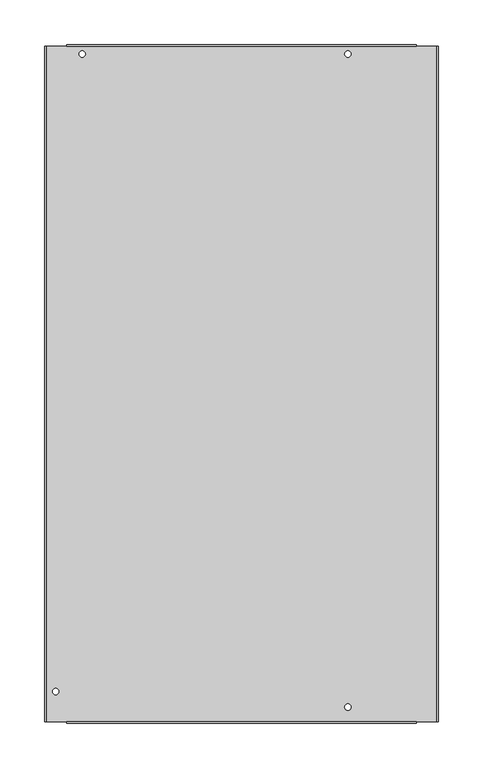
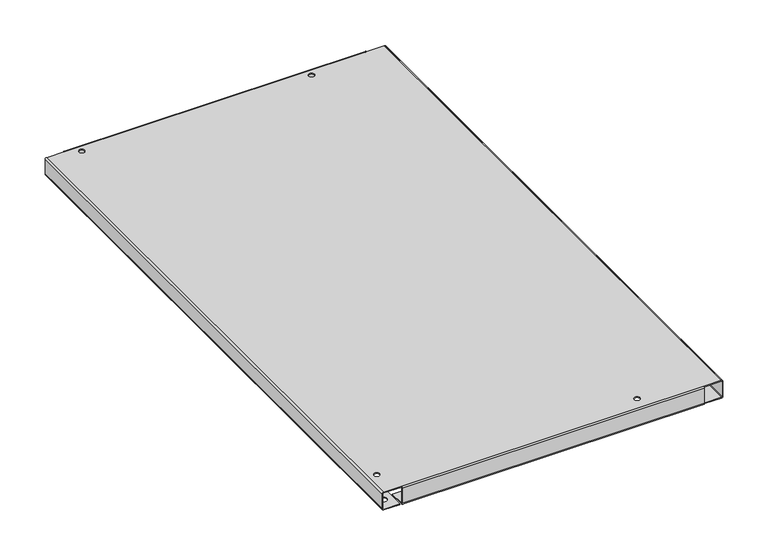
"""IFC4 building model written with IfcOpenShell, lengths in millimetres: proxy geometry."""

from ifc_helpers import new_model, si_unit, frame, origin, place, context, project, spatial, polyline, circle_curve, source, transform, mapped, element, save
from ifc_brep_helpers import plane_surface, cylinder_surface, revolved_surface, advanced_brep


def generic_models_6f1152c4(model_context):
    return source(origin(), model_context, "Body", "AdvancedBrep", [
        advanced_brep(
        [(-103.5664729, 10.1790579, -23.27656), (-103.5664729, 10.1790579, -22.42312), (-110.8054729, 10.1790579, -22.42312), (-110.8054729, 10.1790579, -23.27656), (-103.5664729, 10.1790579, 0.0), (-103.5664729, 10.1790579, 0.85344), (-110.8054729, 10.1790579, 0.85344), (-110.8054729, 10.1790579, 0.0), (-402.0291729, 743.1951179, -23.27656), (-402.0291729, 743.1951179, -22.42312), (-409.2681729, 743.1951179, -22.42312), (-409.2681729, 743.1951179, -23.27656), (-402.0291729, 743.1951179, 0.0), (-402.0291729, 743.1951179, 0.85344), (-409.2681729, 743.1951179, 0.85344), (-409.2681729, 743.1951179, 0.0), (-103.5791729, 743.1951179, -23.27656), (-103.5791729, 743.1951179, -22.42312), (-110.8181729, 743.1951179, -22.42312), (-110.8181729, 743.1951179, -23.27656), (-103.5791729, 743.1951179, 0.0), (-103.5791729, 743.1951179, 0.85344), (-110.8181729, 743.1951179, 0.85344), (-110.8181729, 743.1951179, 0.0), (-431.8209942, 27.6415579, -23.27656), (-431.8209942, 27.6415579, -22.42312), (-439.0599942, 27.6415579, -22.42312), (-439.0599942, 27.6415579, -23.27656), (-431.8209942, 27.6415579, 0.0), (-431.8209942, 27.6415579, 0.85344), (-439.0599942, 27.6415579, 0.85344), (-439.0599942, 27.6415579, 0.0), (-441.7854142, 742.8725379, -22.42312), (-441.7854142, 742.8725379, -23.27656), (-432.2604142, 742.8725379, -23.27656), (-432.2604142, 742.8725379, -22.42312), (-439.2454142, 394.5115379, -22.42312), (-439.2454142, 394.5115379, -23.27656), (-429.7204142, 394.5115379, -23.27656), (-429.7204142, 394.5115379, -22.42312), (-441.7854142, 10.5016379, -22.42312), (-441.7854142, 10.5016379, -23.27656), (-432.2604142, 10.5016379, -23.27656), (-432.2604142, 10.5016379, -22.42312), (-135.6116375, 743.7107379, -22.42312), (-135.6116375, 743.7107379, -23.27656), (-126.0866375, 743.7107379, -23.27656), (-126.0866375, 743.7107379, -22.42312), (-293.4138542, 7.3977579, -22.42312), (-293.4138542, 7.3977579, -23.27656), (-283.8888542, 7.3977579, -23.27656), (-283.8888542, 7.3977579, -22.42312), (-256.9927942, 743.7158179, -22.42312), (-256.9927942, 743.7158179, -23.27656), (-247.4677942, 743.7158179, -23.27656), (-247.4677942, 743.7158179, -22.42312), (-366.2026342, 741.1758179, -22.42312), (-366.2026342, 741.1758179, -23.27656), (-356.6776342, 741.1758179, -23.27656), (-356.6776342, 741.1758179, -22.42312), (-438.1786142, 691.6483579, -22.42312), (-438.1786142, 691.6483579, -23.27656), (-428.6536142, 691.6483579, -23.27656), (-428.6536142, 691.6483579, -22.42312), (-391.9099742, 7.0218379, -22.42312), (-391.9099742, 7.0218379, -23.27656), (-382.3849742, 7.0218379, -23.27656), (-382.3849742, 7.0218379, -22.42312), (-249.6699742, 7.0218379, -22.42312), (-249.6699742, 7.0218379, -23.27656), (-240.1449742, 7.0218379, -23.27656), (-240.1449742, 7.0218379, -22.42312), (-441.7854142, 342.0986379, -22.42312), (-441.7854142, 342.0986379, -23.27656), (-432.2604142, 342.0986379, -23.27656), (-432.2604142, 342.0986379, -22.42312), (-438.1786142, 564.6483579, -22.42312), (-438.1786142, 564.6483579, -23.27656), (-428.6536142, 564.6483579, -23.27656), (-428.6536142, 564.6483579, -22.42312), (-386.5327942, 743.7158179, -22.42312), (-386.5327942, 743.7158179, -23.27656), (-377.0077942, 743.7158179, -23.27656), (-377.0077942, 743.7158179, -22.42312), (-277.3026342, 741.1758179, -22.42312), (-277.3026342, 741.1758179, -23.27656), (-267.7776342, 741.1758179, -23.27656), (-267.7776342, 741.1758179, -22.42312), (-316.2138982, 11.7806878, -23.27656), (-306.6177782, 12.1566078, -23.27656), (-306.6177782, 12.1566078, -22.42312), (-316.2138982, 11.7806878, -22.42312), (-306.2449302, 2.638908, -23.27656), (-315.8410502, 2.262988, -23.27656), (-315.8410502, 2.262988, -22.42312), (-306.2449302, 2.638908, -22.42312), (-135.6116375, 10.5016379, -22.42312), (-135.6116375, 14.7281979, -22.42312), (-422.9614742, 14.7281979, -22.42312), (-422.9614742, -6.4249221, -22.42312), (-30.5162342, -6.4249221, -22.42312), (-30.5162342, 14.7281979, -22.42312), (-126.0866375, 14.7281979, -22.42312), (-126.0866375, 10.5016379, -22.42312), (-429.9345729, 377.4428881, -23.27656), (-432.4745729, 369.2615481, -23.27656), (-432.4745729, 369.2615481, -22.42312), (-429.9345729, 377.4428881, -22.42312), (-441.5712555, 372.0857278, -23.27656), (-439.0312555, 380.2670678, -23.27656), (-439.0312555, 380.2670678, -22.42312), (-441.5712555, 372.0857278, -22.42312), (-446.3294742, 752.1867179, -22.42312), (-446.3294742, -6.4249221, -22.42312), (-425.1763542, -6.4249221, -22.42312), (-425.1763542, 752.1867179, -22.42312), (-446.3294742, -6.4249221, -23.27656), (-446.3294742, 752.1867179, -23.27656), (-425.1763542, 752.1867179, -23.27656), (-425.1763542, -6.4249221, -23.27656), (-135.6116375, 10.5016379, -23.27656), (-135.6116375, 14.7281979, -23.27656), (-126.0866375, 14.7281979, -23.27656), (-126.0866375, 10.5016379, -23.27656), (-30.5162342, 14.7281979, -23.27656), (-30.5162342, -6.4249221, -23.27656), (-422.9614742, -6.4249221, -23.27656), (-422.9614742, 14.7281979, -23.27656), (-30.5162342, -8.1318021, -21.56968), (-422.9614742, -8.1318021, -21.56968), (-30.5162342, -7.2783621, -21.56968), (-422.9614742, -7.2783621, -21.56968), (-30.5162342, 752.1867179, -23.27656), (-422.9614742, 752.1867179, -23.27656), (-422.9614742, 753.8935979, -21.56968), (-30.5162342, 753.8935979, -21.56968), (-30.5162342, 752.1867179, -22.42312), (-30.5162342, 731.0335979, -22.42312), (-30.5162342, 731.0335979, -23.27656), (-422.9614742, 752.1867179, -22.42312), (-422.9614742, 731.0335979, -22.42312), (-422.9614742, 753.0401579, -21.56968), (-30.5162342, 753.0401579, -21.56968), (-422.9614742, 731.0335979, -23.27656), (-448.0363542, -6.4249221, -21.56968), (-448.0363542, 752.1867179, -21.56968), (-447.1829142, -6.4249221, -21.56968), (-447.1829142, 752.1867179, -21.56968), (-7.1482342, -6.4249221, -23.27656), (-7.1482342, 752.1867179, -23.27656), (-5.4413542, 752.1867179, -21.56968), (-5.4413542, -6.4249221, -21.56968), (-7.1482342, -6.4249221, -22.42312), (-28.3013542, -6.4249221, -22.42312), (-28.3013542, -6.4249221, -23.27656), (-7.1482342, 752.1867179, -22.42312), (-28.3013542, 752.1867179, -22.42312), (-6.2947942, 752.1867179, -21.56968), (-6.2947942, -6.4249221, -21.56968), (-28.3013542, 752.1867179, -23.27656), (-422.9614742, -8.1318021, -0.85344), (-422.9614742, -6.4249221, 0.85344), (-422.9614742, -6.4249221, 0.0), (-422.9614742, -7.2783621, -0.85344), (-30.5162342, -8.1318021, -0.85344), (-30.5162342, 753.8935979, -0.85344), (-30.5162342, 752.1867179, 0.85344), (-30.5162342, 752.1867179, 0.0), (-30.5162342, 753.0401579, -0.85344), (-422.9614742, 753.8935979, -0.85344), (-447.1829142, -6.4249221, -0.85344), (-446.3294742, -6.4249221, 0.0), (-446.3294742, -6.4249221, 0.85344), (-448.0363542, -6.4249221, -0.85344), (-447.1829142, 752.1867179, -0.85344), (-448.0363542, 752.1867179, -0.85344), (-446.3294742, 752.1867179, 0.85344), (-422.9614742, 752.1867179, 0.85344), (-422.9614742, 752.1867179, 0.0), (-446.3294742, 752.1867179, 0.0), (-6.2947942, 752.1867179, -0.85344), (-7.1482342, 752.1867179, 0.0), (-7.1482342, 752.1867179, 0.85344), (-5.4413542, 752.1867179, -0.85344), (-6.2947942, -6.4249221, -0.85344), (-5.4413542, -6.4249221, -0.85344), (-7.1482342, -6.4249221, 0.85344), (-30.5162342, -6.4249221, 0.85344), (-30.5162342, -6.4249221, 0.0), (-7.1482342, -6.4249221, 0.0), (-422.9614742, 753.0401579, -0.85344), (-30.5162342, -7.2783621, -0.85344)],
        [
            (0, 1),
            (1, 2, circle_curve(frame((-107.1859729, 10.1790579, -22.42312), z_axis=(0.0, 0.0, 1.0), x_axis=(1.0, 0.0, 0.0)), 3.6195)),
            (2, 3),
            (3, 0, circle_curve(frame((-107.1859729, 10.1790579, -23.27656), z_axis=(0.0, 0.0, -1.0), x_axis=(1.0, 0.0, 0.0)), 3.6195)),
            (4, 5),
            (5, 6, circle_curve(frame((-107.1859729, 10.1790579, 0.85344), z_axis=(0.0, 0.0, 1.0), x_axis=(1.0, 0.0, 0.0)), 3.6195)),
            (6, 7),
            (7, 4, circle_curve(frame((-107.1859729, 10.1790579, 0.0), z_axis=(0.0, 0.0, -1.0), x_axis=(1.0, 0.0, 0.0)), 3.6195)),
            (8, 9),
            (9, 10, circle_curve(frame((-405.6486729, 743.1951179, -22.42312), z_axis=(0.0, 0.0, 1.0), x_axis=(1.0, 0.0, 0.0)), 3.6195)),
            (10, 11),
            (11, 8, circle_curve(frame((-405.6486729, 743.1951179, -23.27656), z_axis=(0.0, 0.0, -1.0), x_axis=(1.0, 0.0, 0.0)), 3.6195)),
            (12, 13),
            (13, 14, circle_curve(frame((-405.6486729, 743.1951179, 0.85344), z_axis=(0.0, 0.0, 1.0), x_axis=(1.0, 0.0, 0.0)), 3.6195)),
            (14, 15),
            (15, 12, circle_curve(frame((-405.6486729, 743.1951179, 0.0), z_axis=(0.0, 0.0, -1.0), x_axis=(1.0, 0.0, 0.0)), 3.6195)),
            (16, 17),
            (17, 18, circle_curve(frame((-107.1986729, 743.1951179, -22.42312), z_axis=(0.0, 0.0, 1.0), x_axis=(1.0, 0.0, 0.0)), 3.6195)),
            (18, 19),
            (19, 16, circle_curve(frame((-107.1986729, 743.1951179, -23.27656), z_axis=(0.0, 0.0, -1.0), x_axis=(1.0, 0.0, 0.0)), 3.6195)),
            (20, 21),
            (21, 22, circle_curve(frame((-107.1986729, 743.1951179, 0.85344), z_axis=(0.0, 0.0, 1.0), x_axis=(1.0, 0.0, 0.0)), 3.6195)),
            (22, 23),
            (23, 20, circle_curve(frame((-107.1986729, 743.1951179, 0.0), z_axis=(0.0, 0.0, -1.0), x_axis=(1.0, 0.0, 0.0)), 3.6195)),
            (24, 25),
            (25, 26, circle_curve(frame((-435.4404942, 27.6415579, -22.42312), z_axis=(0.0, 0.0, 1.0), x_axis=(1.0, 0.0, 0.0)), 3.6195)),
            (26, 27),
            (27, 24, circle_curve(frame((-435.4404942, 27.6415579, -23.27656), z_axis=(0.0, 0.0, -1.0), x_axis=(1.0, 0.0, 0.0)), 3.6195)),
            (28, 29),
            (29, 30, circle_curve(frame((-435.4404942, 27.6415579, 0.85344), z_axis=(0.0, 0.0, 1.0), x_axis=(1.0, 0.0, 0.0)), 3.6195)),
            (30, 31),
            (31, 28, circle_curve(frame((-435.4404942, 27.6415579, 0.0), z_axis=(0.0, 0.0, -1.0), x_axis=(1.0, 0.0, 0.0)), 3.6195)),
            (32, 33),
            (33, 34, circle_curve(frame((-437.0229142, 742.8725379, -23.27656), z_axis=(0.0, 0.0, -1.0), x_axis=(-1.0, 0.0, 0.0)), 4.7625)),
            (34, 35),
            (35, 32, circle_curve(frame((-437.0229142, 742.8725379, -22.42312), z_axis=(0.0, 0.0, 1.0), x_axis=(-1.0, 0.0, 0.0)), 4.7625)),
            (36, 37),
            (37, 38, circle_curve(frame((-434.4829142, 394.5115379, -23.27656), z_axis=(0.0, 0.0, -1.0), x_axis=(-1.0, 0.0, 0.0)), 4.7625)),
            (38, 39),
            (39, 36, circle_curve(frame((-434.4829142, 394.5115379, -22.42312), z_axis=(0.0, 0.0, 1.0), x_axis=(-1.0, 0.0, 0.0)), 4.7625)),
            (40, 41),
            (41, 42, circle_curve(frame((-437.0229142, 10.5016379, -23.27656), z_axis=(0.0, 0.0, -1.0), x_axis=(-1.0, 0.0, 0.0)), 4.7625)),
            (42, 43),
            (43, 40, circle_curve(frame((-437.0229142, 10.5016379, -22.42312), z_axis=(0.0, 0.0, 1.0), x_axis=(-1.0, 0.0, 0.0)), 4.7625)),
            (44, 45),
            (45, 46, circle_curve(frame((-130.8491375, 743.7107379, -23.27656), z_axis=(0.0, 0.0, -1.0), x_axis=(-1.0, 0.0, 0.0)), 4.7625)),
            (46, 47),
            (47, 44, circle_curve(frame((-130.8491375, 743.7107379, -22.42312), z_axis=(0.0, 0.0, 1.0), x_axis=(-1.0, 0.0, 0.0)), 4.7625)),
            (48, 49),
            (49, 50, circle_curve(frame((-288.6513542, 7.3977579, -23.27656), z_axis=(0.0, 0.0, -1.0), x_axis=(-1.0, 0.0, 0.0)), 4.7625)),
            (50, 51),
            (51, 48, circle_curve(frame((-288.6513542, 7.3977579, -22.42312), z_axis=(0.0, 0.0, 1.0), x_axis=(-1.0, 0.0, 0.0)), 4.7625)),
            (52, 53),
            (53, 54, circle_curve(frame((-252.2302942, 743.7158179, -23.27656), z_axis=(0.0, 0.0, -1.0), x_axis=(-1.0, 0.0, 0.0)), 4.7625)),
            (54, 55),
            (55, 52, circle_curve(frame((-252.2302942, 743.7158179, -22.42312), z_axis=(0.0, 0.0, 1.0), x_axis=(-1.0, 0.0, 0.0)), 4.7625)),
            (56, 57),
            (57, 58, circle_curve(frame((-361.4401342, 741.1758179, -23.27656), z_axis=(0.0, 0.0, -1.0), x_axis=(-1.0, 0.0, 0.0)), 4.7625)),
            (58, 59),
            (59, 56, circle_curve(frame((-361.4401342, 741.1758179, -22.42312), z_axis=(0.0, 0.0, 1.0), x_axis=(-1.0, 0.0, 0.0)), 4.7625)),
            (60, 61),
            (61, 62, circle_curve(frame((-433.4161142, 691.6483579, -23.27656), z_axis=(0.0, 0.0, -1.0), x_axis=(-1.0, 0.0, 0.0)), 4.7625)),
            (62, 63),
            (63, 60, circle_curve(frame((-433.4161142, 691.6483579, -22.42312), z_axis=(0.0, 0.0, 1.0), x_axis=(-1.0, 0.0, 0.0)), 4.7625)),
            (64, 65),
            (65, 66, circle_curve(frame((-387.1474742, 7.0218379, -23.27656), z_axis=(0.0, 0.0, -1.0), x_axis=(-1.0, 0.0, 0.0)), 4.7625)),
            (66, 67),
            (67, 64, circle_curve(frame((-387.1474742, 7.0218379, -22.42312), z_axis=(0.0, 0.0, 1.0), x_axis=(-1.0, 0.0, 0.0)), 4.7625)),
            (68, 69),
            (69, 70, circle_curve(frame((-244.9074742, 7.0218379, -23.27656), z_axis=(0.0, 0.0, -1.0), x_axis=(-1.0, 0.0, 0.0)), 4.7625)),
            (70, 71),
            (71, 68, circle_curve(frame((-244.9074742, 7.0218379, -22.42312), z_axis=(0.0, 0.0, 1.0), x_axis=(-1.0, 0.0, 0.0)), 4.7625)),
            (72, 73),
            (73, 74, circle_curve(frame((-437.0229142, 342.0986379, -23.27656), z_axis=(0.0, 0.0, -1.0), x_axis=(-1.0, 0.0, 0.0)), 4.7625)),
            (74, 75),
            (75, 72, circle_curve(frame((-437.0229142, 342.0986379, -22.42312), z_axis=(0.0, 0.0, 1.0), x_axis=(-1.0, 0.0, 0.0)), 4.7625)),
            (76, 77),
            (77, 78, circle_curve(frame((-433.4161142, 564.6483579, -23.27656), z_axis=(0.0, 0.0, -1.0), x_axis=(-1.0, 0.0, 0.0)), 4.7625)),
            (78, 79),
            (79, 76, circle_curve(frame((-433.4161142, 564.6483579, -22.42312), z_axis=(0.0, 0.0, 1.0), x_axis=(-1.0, 0.0, 0.0)), 4.7625)),
            (80, 81),
            (81, 82, circle_curve(frame((-381.7702942, 743.7158179, -23.27656), z_axis=(0.0, 0.0, -1.0), x_axis=(-1.0, 0.0, 0.0)), 4.7625)),
            (82, 83),
            (83, 80, circle_curve(frame((-381.7702942, 743.7158179, -22.42312), z_axis=(0.0, 0.0, 1.0), x_axis=(-1.0, 0.0, 0.0)), 4.7625)),
            (84, 85),
            (85, 86, circle_curve(frame((-272.5401342, 741.1758179, -23.27656), z_axis=(0.0, 0.0, -1.0), x_axis=(-1.0, 0.0, 0.0)), 4.7625)),
            (86, 87),
            (87, 84, circle_curve(frame((-272.5401342, 741.1758179, -22.42312), z_axis=(0.0, 0.0, 1.0), x_axis=(-1.0, 0.0, 0.0)), 4.7625)),
            (88, 89),
            (89, 90),
            (90, 91),
            (91, 88),
            (92, 93),
            (93, 94),
            (94, 95),
            (95, 92),
            (96, 97),
            (97, 98),
            (98, 99),
            (99, 100),
            (100, 101),
            (101, 102),
            (102, 103),
            (103, 96, circle_curve(frame((-130.8491375, 10.5016379, -22.42312), z_axis=(0.0, 0.0, -1.0), x_axis=(-1.0, 0.0, 0.0)), 4.7625)),
            (1, 2, circle_curve(frame((-107.1859729, 10.1790579, -22.42312), z_axis=(0.0, 0.0, -1.0), x_axis=(1.0, 0.0, 0.0)), 3.6195)),
            (51, 48, circle_curve(frame((-288.6513542, 7.3977579, -22.42312), z_axis=(0.0, 0.0, -1.0), x_axis=(-1.0, 0.0, 0.0)), 4.7625)),
            (67, 64, circle_curve(frame((-387.1474742, 7.0218379, -22.42312), z_axis=(0.0, 0.0, -1.0), x_axis=(-1.0, 0.0, 0.0)), 4.7625)),
            (71, 68, circle_curve(frame((-244.9074742, 7.0218379, -22.42312), z_axis=(0.0, 0.0, -1.0), x_axis=(-1.0, 0.0, 0.0)), 4.7625)),
            (90, 95, circle_curve(frame((-306.4313542, 7.3977579, -22.42312), z_axis=(0.0, 0.0, -1.0), x_axis=(0.9992335743634033, 0.039144142153545815, 0.0)), 4.7625)),
            (94, 91, circle_curve(frame((-316.0274742, 7.0218379, -22.42312), z_axis=(0.0, 0.0, -1.0), x_axis=(-1.0, 0.0, 0.0)), 4.7625)),
            (89, 92, circle_curve(frame((-306.4313542, 7.3977579, -23.27656), z_axis=(0.0, 0.0, -1.0), x_axis=(0.9992335743634033, 0.039144142153545815, 0.0)), 4.7625)),
            (104, 105),
            (105, 106),
            (106, 107),
            (107, 104),
            (108, 109),
            (109, 110),
            (110, 111),
            (111, 108),
            (112, 113),
            (113, 114),
            (114, 115),
            (115, 112),
            (25, 26, circle_curve(frame((-435.4404942, 27.6415579, -22.42312), z_axis=(0.0, 0.0, -1.0), x_axis=(1.0, 0.0, 0.0)), 3.6195)),
            (35, 32, circle_curve(frame((-437.0229142, 742.8725379, -22.42312), z_axis=(0.0, 0.0, -1.0), x_axis=(-1.0, 0.0, 0.0)), 4.7625)),
            (39, 36, circle_curve(frame((-434.4829142, 394.5115379, -22.42312), z_axis=(0.0, 0.0, -1.0), x_axis=(-1.0, 0.0, 0.0)), 4.7625)),
            (43, 40, circle_curve(frame((-437.0229142, 10.5016379, -22.42312), z_axis=(0.0, 0.0, -1.0), x_axis=(-1.0, 0.0, 0.0)), 4.7625)),
            (63, 60, circle_curve(frame((-433.4161142, 691.6483579, -22.42312), z_axis=(0.0, 0.0, -1.0), x_axis=(-1.0, 0.0, 0.0)), 4.7625)),
            (75, 72, circle_curve(frame((-437.0229142, 342.0986379, -22.42312), z_axis=(0.0, 0.0, -1.0), x_axis=(-1.0, 0.0, 0.0)), 4.7625)),
            (79, 76, circle_curve(frame((-433.4161142, 564.6483579, -22.42312), z_axis=(0.0, 0.0, -1.0), x_axis=(-1.0, 0.0, 0.0)), 4.7625)),
            (106, 111, circle_curve(frame((-437.0229142, 370.6736379, -22.42312), z_axis=(0.0, 0.0, -1.0), x_axis=(-1.0, 0.0, 0.0)), 4.7625)),
            (110, 107, circle_curve(frame((-434.4829142, 378.8549779, -22.42312), z_axis=(0.0, 0.0, -1.0), x_axis=(0.2965017989269343, 0.9550322943404018, 0.0)), 4.7625)),
            (116, 117),
            (117, 118),
            (118, 119),
            (119, 116),
            (104, 109, circle_curve(frame((-434.4829142, 378.8549779, -23.27656), z_axis=(0.0, 0.0, 1.0), x_axis=(0.2965017989269343, 0.9550322943404018, 0.0)), 4.7625)),
            (108, 105, circle_curve(frame((-437.0229142, 370.6736379, -23.27656), z_axis=(0.0, 0.0, 1.0), x_axis=(-1.0, 0.0, 0.0)), 4.7625)),
            (77, 78, circle_curve(frame((-433.4161142, 564.6483579, -23.27656), z_axis=(0.0, 0.0, 1.0), x_axis=(-1.0, 0.0, 0.0)), 4.7625)),
            (73, 74, circle_curve(frame((-437.0229142, 342.0986379, -23.27656), z_axis=(0.0, 0.0, 1.0), x_axis=(-1.0, 0.0, 0.0)), 4.7625)),
            (61, 62, circle_curve(frame((-433.4161142, 691.6483579, -23.27656), z_axis=(0.0, 0.0, 1.0), x_axis=(-1.0, 0.0, 0.0)), 4.7625)),
            (41, 42, circle_curve(frame((-437.0229142, 10.5016379, -23.27656), z_axis=(0.0, 0.0, 1.0), x_axis=(-1.0, 0.0, 0.0)), 4.7625)),
            (37, 38, circle_curve(frame((-434.4829142, 394.5115379, -23.27656), z_axis=(0.0, 0.0, 1.0), x_axis=(-1.0, 0.0, 0.0)), 4.7625)),
            (33, 34, circle_curve(frame((-437.0229142, 742.8725379, -23.27656), z_axis=(0.0, 0.0, 1.0), x_axis=(-1.0, 0.0, 0.0)), 4.7625)),
            (27, 24, circle_curve(frame((-435.4404942, 27.6415579, -23.27656), z_axis=(0.0, 0.0, 1.0), x_axis=(1.0, 0.0, 0.0)), 3.6195)),
            (120, 121),
            (121, 97),
            (96, 120),
            (122, 123),
            (123, 103),
            (102, 122),
            (120, 123, circle_curve(frame((-130.8491375, 10.5016379, -23.27656), z_axis=(0.0, 0.0, 1.0), x_axis=(-1.0, 0.0, 0.0)), 4.7625)),
            (122, 124),
            (124, 125),
            (125, 126),
            (126, 127),
            (127, 121),
            (88, 93, circle_curve(frame((-316.0274742, 7.0218379, -23.27656), z_axis=(0.0, 0.0, 1.0), x_axis=(-1.0, 0.0, 0.0)), 4.7625)),
            (3, 0, circle_curve(frame((-107.1859729, 10.1790579, -23.27656), z_axis=(0.0, 0.0, 1.0), x_axis=(1.0, 0.0, 0.0)), 3.6195)),
            (49, 50, circle_curve(frame((-288.6513542, 7.3977579, -23.27656), z_axis=(0.0, 0.0, 1.0), x_axis=(-1.0, 0.0, 0.0)), 4.7625)),
            (65, 66, circle_curve(frame((-387.1474742, 7.0218379, -23.27656), z_axis=(0.0, 0.0, 1.0), x_axis=(-1.0, 0.0, 0.0)), 4.7625)),
            (69, 70, circle_curve(frame((-244.9074742, 7.0218379, -23.27656), z_axis=(0.0, 0.0, 1.0), x_axis=(-1.0, 0.0, 0.0)), 4.7625)),
            (84, 87, circle_curve(frame((-272.5401342, 741.1758179, -22.42312), z_axis=(0.0, 0.0, 1.0), x_axis=(-1.0, 0.0, 0.0)), 4.7625)),
            (86, 85, circle_curve(frame((-272.5401342, 741.1758179, -23.27656), z_axis=(0.0, 0.0, -1.0), x_axis=(-1.0, 0.0, 0.0)), 4.7625)),
            (80, 83, circle_curve(frame((-381.7702942, 743.7158179, -22.42312), z_axis=(0.0, 0.0, 1.0), x_axis=(-1.0, 0.0, 0.0)), 4.7625)),
            (82, 81, circle_curve(frame((-381.7702942, 743.7158179, -23.27656), z_axis=(0.0, 0.0, -1.0), x_axis=(-1.0, 0.0, 0.0)), 4.7625)),
            (56, 59, circle_curve(frame((-361.4401342, 741.1758179, -22.42312), z_axis=(0.0, 0.0, 1.0), x_axis=(-1.0, 0.0, 0.0)), 4.7625)),
            (58, 57, circle_curve(frame((-361.4401342, 741.1758179, -23.27656), z_axis=(0.0, 0.0, -1.0), x_axis=(-1.0, 0.0, 0.0)), 4.7625)),
            (52, 55, circle_curve(frame((-252.2302942, 743.7158179, -22.42312), z_axis=(0.0, 0.0, 1.0), x_axis=(-1.0, 0.0, 0.0)), 4.7625)),
            (54, 53, circle_curve(frame((-252.2302942, 743.7158179, -23.27656), z_axis=(0.0, 0.0, -1.0), x_axis=(-1.0, 0.0, 0.0)), 4.7625)),
            (44, 47, circle_curve(frame((-130.8491375, 743.7107379, -22.42312), z_axis=(0.0, 0.0, 1.0), x_axis=(-1.0, 0.0, 0.0)), 4.7625)),
            (46, 45, circle_curve(frame((-130.8491375, 743.7107379, -23.27656), z_axis=(0.0, 0.0, -1.0), x_axis=(-1.0, 0.0, 0.0)), 4.7625)),
            (101, 124),
            (28, 31, circle_curve(frame((-435.4404942, 27.6415579, 0.0), z_axis=(0.0, 0.0, -1.0), x_axis=(1.0, 0.0, 0.0)), 3.6195)),
            (30, 29, circle_curve(frame((-435.4404942, 27.6415579, 0.85344), z_axis=(0.0, 0.0, 1.0), x_axis=(1.0, 0.0, 0.0)), 3.6195)),
            (20, 23, circle_curve(frame((-107.1986729, 743.1951179, 0.0), z_axis=(0.0, 0.0, -1.0), x_axis=(1.0, 0.0, 0.0)), 3.6195)),
            (22, 21, circle_curve(frame((-107.1986729, 743.1951179, 0.85344), z_axis=(0.0, 0.0, 1.0), x_axis=(1.0, 0.0, 0.0)), 3.6195)),
            (16, 19, circle_curve(frame((-107.1986729, 743.1951179, -23.27656), z_axis=(0.0, 0.0, -1.0), x_axis=(1.0, 0.0, 0.0)), 3.6195)),
            (18, 17, circle_curve(frame((-107.1986729, 743.1951179, -22.42312), z_axis=(0.0, 0.0, 1.0), x_axis=(1.0, 0.0, 0.0)), 3.6195)),
            (12, 15, circle_curve(frame((-405.6486729, 743.1951179, 0.0), z_axis=(0.0, 0.0, -1.0), x_axis=(1.0, 0.0, 0.0)), 3.6195)),
            (14, 13, circle_curve(frame((-405.6486729, 743.1951179, 0.85344), z_axis=(0.0, 0.0, 1.0), x_axis=(1.0, 0.0, 0.0)), 3.6195)),
            (8, 11, circle_curve(frame((-405.6486729, 743.1951179, -23.27656), z_axis=(0.0, 0.0, -1.0), x_axis=(1.0, 0.0, 0.0)), 3.6195)),
            (10, 9, circle_curve(frame((-405.6486729, 743.1951179, -22.42312), z_axis=(0.0, 0.0, 1.0), x_axis=(1.0, 0.0, 0.0)), 3.6195)),
            (4, 7, circle_curve(frame((-107.1859729, 10.1790579, 0.0), z_axis=(0.0, 0.0, -1.0), x_axis=(1.0, 0.0, 0.0)), 3.6195)),
            (6, 5, circle_curve(frame((-107.1859729, 10.1790579, 0.85344), z_axis=(0.0, 0.0, 1.0), x_axis=(1.0, 0.0, 0.0)), 3.6195)),
            (125, 128, circle_curve(frame((-30.5162342, -6.4249221, -21.56968), z_axis=(-1.0, 0.0, 0.0), x_axis=(0.0, -1.0, 0.0)), 1.70688)),
            (128, 129),
            (129, 126, circle_curve(frame((-422.9614742, -6.4249221, -21.56968), z_axis=(1.0, 0.0, 0.0), x_axis=(0.0, -1.0, 0.0)), 1.70688)),
            (126, 99),
            (98, 127),
            (125, 100),
            (100, 130, circle_curve(frame((-30.5162342, -6.4249221, -21.56968), z_axis=(-1.0, 0.0, 0.0), x_axis=(0.0, -1.0, 0.0)), 0.85344)),
            (130, 128),
            (129, 131),
            (131, 99, circle_curve(frame((-422.9614742, -6.4249221, -21.56968), z_axis=(1.0, 0.0, 0.0), x_axis=(0.0, -1.0, 0.0)), 0.85344)),
            (131, 130),
            (132, 133),
            (133, 134, circle_curve(frame((-422.9614742, 752.1867179, -21.56968), z_axis=(1.0, 0.0, 0.0), x_axis=(0.0, 1.0, 0.0)), 1.70688)),
            (134, 135),
            (135, 132, circle_curve(frame((-30.5162342, 752.1867179, -21.56968), z_axis=(-1.0, 0.0, 0.0), x_axis=(0.0, 1.0, 0.0)), 1.70688)),
            (132, 136),
            (136, 137),
            (137, 138),
            (138, 132),
            (136, 139),
            (139, 140),
            (140, 137),
            (133, 139),
            (139, 141, circle_curve(frame((-422.9614742, 752.1867179, -21.56968), z_axis=(1.0, 0.0, 0.0), x_axis=(0.0, 1.0, 0.0)), 0.85344)),
            (141, 134),
            (135, 142),
            (142, 136, circle_curve(frame((-30.5162342, 752.1867179, -21.56968), z_axis=(-1.0, 0.0, 0.0), x_axis=(0.0, 1.0, 0.0)), 0.85344)),
            (133, 143),
            (143, 140),
            (143, 138),
            (142, 141),
            (116, 144, circle_curve(frame((-446.3294742, -6.4249221, -21.56968), z_axis=(0.0, 1.0, 0.0), x_axis=(-1.0, 0.0, 0.0)), 1.70688)),
            (144, 145),
            (145, 117, circle_curve(frame((-446.3294742, 752.1867179, -21.56968), z_axis=(0.0, -1.0, 0.0), x_axis=(-1.0, 0.0, 0.0)), 1.70688)),
            (117, 112),
            (115, 118),
            (116, 113),
            (113, 146, circle_curve(frame((-446.3294742, -6.4249221, -21.56968), z_axis=(0.0, 1.0, 0.0), x_axis=(-1.0, 0.0, 0.0)), 0.85344)),
            (146, 144),
            (145, 147),
            (147, 112, circle_curve(frame((-446.3294742, 752.1867179, -21.56968), z_axis=(0.0, -1.0, 0.0), x_axis=(-1.0, 0.0, 0.0)), 0.85344)),
            (119, 114),
            (147, 146),
            (148, 149),
            (149, 150, circle_curve(frame((-7.1482342, 752.1867179, -21.56968), z_axis=(0.0, -1.0, 0.0), x_axis=(1.0, 0.0, 0.0)), 1.70688)),
            (150, 151),
            (151, 148, circle_curve(frame((-7.1482342, -6.4249221, -21.56968), z_axis=(0.0, 1.0, 0.0), x_axis=(1.0, 0.0, 0.0)), 1.70688)),
            (148, 152),
            (152, 153),
            (153, 154),
            (154, 148),
            (152, 155),
            (155, 156),
            (156, 153),
            (149, 155),
            (155, 157, circle_curve(frame((-7.1482342, 752.1867179, -21.56968), z_axis=(0.0, -1.0, 0.0), x_axis=(1.0, 0.0, 0.0)), 0.85344)),
            (157, 150),
            (151, 158),
            (158, 152, circle_curve(frame((-7.1482342, -6.4249221, -21.56968), z_axis=(0.0, 1.0, 0.0), x_axis=(1.0, 0.0, 0.0)), 0.85344)),
            (149, 159),
            (159, 156),
            (159, 154),
            (158, 157),
            (129, 160),
            (160, 161, circle_curve(frame((-422.9614742, -6.4249221, -0.85344), z_axis=(-1.0, 0.0, 0.0), x_axis=(0.0, 0.0, 1.0)), 1.70688)),
            (161, 162),
            (162, 163, circle_curve(frame((-422.9614742, -6.4249221, -0.85344), z_axis=(1.0, 0.0, 0.0), x_axis=(0.0, 0.0, 1.0)), 0.85344)),
            (163, 131),
            (128, 164),
            (164, 160),
            (135, 165),
            (165, 166, circle_curve(frame((-30.5162342, 752.1867179, -0.85344), z_axis=(1.0, 0.0, 0.0), x_axis=(0.0, 0.0, 1.0)), 1.70688)),
            (166, 167),
            (167, 168, circle_curve(frame((-30.5162342, 752.1867179, -0.85344), z_axis=(-1.0, 0.0, 0.0), x_axis=(0.0, 0.0, 1.0)), 0.85344)),
            (168, 142),
            (134, 169),
            (169, 165),
            (146, 170),
            (170, 171, circle_curve(frame((-446.3294742, -6.4249221, -0.85344), z_axis=(0.0, 1.0, 0.0), x_axis=(0.0, 0.0, 1.0)), 0.85344)),
            (171, 162),
            (161, 172),
            (172, 173, circle_curve(frame((-446.3294742, -6.4249221, -0.85344), z_axis=(0.0, -1.0, 0.0), x_axis=(0.0, 0.0, 1.0)), 1.70688)),
            (173, 144),
            (147, 174),
            (174, 170),
            (145, 175),
            (175, 176, circle_curve(frame((-446.3294742, 752.1867179, -0.85344), z_axis=(0.0, 1.0, 0.0), x_axis=(0.0, 0.0, 1.0)), 1.70688)),
            (176, 177),
            (177, 178),
            (178, 179),
            (179, 174, circle_curve(frame((-446.3294742, 752.1867179, -0.85344), z_axis=(0.0, -1.0, 0.0), x_axis=(0.0, 0.0, 1.0)), 0.85344)),
            (157, 180),
            (180, 181, circle_curve(frame((-7.1482342, 752.1867179, -0.85344), z_axis=(0.0, -1.0, 0.0), x_axis=(0.0, 0.0, 1.0)), 0.85344)),
            (181, 167),
            (166, 182),
            (182, 183, circle_curve(frame((-7.1482342, 752.1867179, -0.85344), z_axis=(0.0, 1.0, 0.0), x_axis=(0.0, 0.0, 1.0)), 1.70688)),
            (183, 150),
            (158, 184),
            (184, 180),
            (151, 185),
            (185, 186, circle_curve(frame((-7.1482342, -6.4249221, -0.85344), z_axis=(0.0, -1.0, 0.0), x_axis=(0.0, 0.0, 1.0)), 1.70688)),
            (186, 187),
            (187, 188),
            (188, 189),
            (189, 184, circle_curve(frame((-7.1482342, -6.4249221, -0.85344), z_axis=(0.0, 1.0, 0.0), x_axis=(0.0, 0.0, 1.0)), 0.85344)),
            (141, 190),
            (190, 178, circle_curve(frame((-422.9614742, 752.1867179, -0.85344), z_axis=(1.0, 0.0, 0.0), x_axis=(0.0, 0.0, 1.0)), 0.85344)),
            (177, 169, circle_curve(frame((-422.9614742, 752.1867179, -0.85344), z_axis=(-1.0, 0.0, 0.0), x_axis=(0.0, 0.0, 1.0)), 1.70688)),
            (177, 166),
            (164, 187, circle_curve(frame((-30.5162342, -6.4249221, -0.85344), z_axis=(-1.0, 0.0, 0.0), x_axis=(0.0, 0.0, 1.0)), 1.70688)),
            (187, 161),
            (130, 191),
            (191, 188, circle_curve(frame((-30.5162342, -6.4249221, -0.85344), z_axis=(-1.0, 0.0, 0.0), x_axis=(0.0, 0.0, 1.0)), 0.85344)),
            (190, 168),
            (167, 178),
            (163, 191),
            (162, 188),
            (172, 176),
            (175, 173),
            (189, 181),
            (185, 183),
            (182, 186),
            (179, 171),
        ],
        [
            revolved_surface(polyline([(-103.5664729, 10.1790579, -22.42312000000004), (-103.5664729, 10.1790579, -23.276560000000018)]), (-107.1859729, 10.1790579, -880.710682), (0.0, 0.0, 1.0)),
            revolved_surface(polyline([(-103.5664729, 10.1790579, 0.8534399999999778), (-103.5664729, 10.1790579, 0.0)]), (-107.1859729, 10.1790579, -880.710682), (0.0, 0.0, 1.0)),
            revolved_surface(polyline([(-402.0291729, 743.1951179, -22.42312000000004), (-402.0291729, 743.1951179, -23.276560000000018)]), (-405.6486729, 743.1951179, -880.710682), (0.0, 0.0, 1.0)),
            revolved_surface(polyline([(-402.0291729, 743.1951179, 0.8534399999999778), (-402.0291729, 743.1951179, 0.0)]), (-405.6486729, 743.1951179, -880.710682), (0.0, 0.0, 1.0)),
            revolved_surface(polyline([(-103.5791729, 743.1951179, -22.42312000000004), (-103.5791729, 743.1951179, -23.276560000000018)]), (-107.1986729, 743.1951179, -880.710682), (0.0, 0.0, 1.0)),
            revolved_surface(polyline([(-103.5791729, 743.1951179, 0.8534399999999778), (-103.5791729, 743.1951179, 0.0)]), (-107.1986729, 743.1951179, -880.710682), (0.0, 0.0, 1.0)),
            revolved_surface(polyline([(-431.8209942, 27.6415579, -22.42312000000004), (-431.8209942, 27.6415579, -23.276560000000018)]), (-435.4404942, 27.6415579, -880.710682), (0.0, 0.0, 1.0)),
            revolved_surface(polyline([(-431.8209942, 27.6415579, 0.8534399999999778), (-431.8209942, 27.6415579, 0.0)]), (-435.4404942, 27.6415579, -880.710682), (0.0, 0.0, 1.0)),
            revolved_surface(polyline([(-441.7854142, 742.8725379, -23.27656), (-441.7854142, 742.8725379, -22.42312)]), (-437.0229142, 742.8725379, -22.84984), (0.0, 0.0, -1.0)),
            revolved_surface(polyline([(-439.24541419999997, 394.5115379, -23.27656), (-439.24541419999997, 394.5115379, -22.42312)]), (-434.4829142, 394.5115379, -22.84984), (0.0, 0.0, -1.0)),
            revolved_surface(polyline([(-441.7854142, 10.5016379, -23.27656), (-441.7854142, 10.5016379, -22.42312)]), (-437.0229142, 10.5016379, -22.84984), (0.0, 0.0, -1.0)),
            revolved_surface(polyline([(-135.6116375, 743.7107379, -23.27656), (-135.6116375, 743.7107379, -22.42312)]), (-130.8491375, 743.7107379, -22.84984), (0.0, 0.0, -1.0)),
            revolved_surface(polyline([(-293.4138542, 7.3977579, -23.27656), (-293.4138542, 7.3977579, -22.42312)]), (-288.6513542, 7.3977579, -22.84984), (0.0, 0.0, -1.0)),
            revolved_surface(polyline([(-256.9927942, 743.7158179, -23.27656), (-256.9927942, 743.7158179, -22.42312)]), (-252.2302942, 743.7158179, -22.84984), (0.0, 0.0, -1.0)),
            revolved_surface(polyline([(-366.2026342, 741.1758179, -23.27656), (-366.2026342, 741.1758179, -22.42312)]), (-361.4401342, 741.1758179, -22.84984), (0.0, 0.0, -1.0)),
            revolved_surface(polyline([(-438.17861419999997, 691.6483579, -23.27656), (-438.17861419999997, 691.6483579, -22.42312)]), (-433.4161142, 691.6483579, -22.84984), (0.0, 0.0, -1.0)),
            revolved_surface(polyline([(-391.90997419999997, 7.0218379, -23.27656), (-391.90997419999997, 7.0218379, -22.42312)]), (-387.1474742, 7.0218379, -22.84984), (0.0, 0.0, -1.0)),
            revolved_surface(polyline([(-249.66997419999998, 7.0218379, -23.27656), (-249.66997419999998, 7.0218379, -22.42312)]), (-244.9074742, 7.0218379, -22.84984), (0.0, 0.0, -1.0)),
            revolved_surface(polyline([(-441.7854142, 342.0986379, -23.27656), (-441.7854142, 342.0986379, -22.42312)]), (-437.0229142, 342.0986379, -22.84984), (0.0, 0.0, -1.0)),
            revolved_surface(polyline([(-438.17861419999997, 564.6483579, -23.27656), (-438.17861419999997, 564.6483579, -22.42312)]), (-433.4161142, 564.6483579, -22.84984), (0.0, 0.0, -1.0)),
            revolved_surface(polyline([(-386.5327942, 743.7158179, -23.27656), (-386.5327942, 743.7158179, -22.42312)]), (-381.7702942, 743.7158179, -22.84984), (0.0, 0.0, -1.0)),
            revolved_surface(polyline([(-277.3026342, 741.1758179, -23.27656), (-277.3026342, 741.1758179, -22.42312)]), (-272.5401342, 741.1758179, -22.84984), (0.0, 0.0, -1.0)),
            plane_surface(frame((-306.6177782, 12.1566078, -23.27656), z_axis=(0.03914414215335586, -0.9992335743634108, 0.0), x_axis=(-0.9992335743634108, -0.03914414215335586, 0.0))),
            plane_surface(frame((-315.8410502, 2.262988, -23.27656), z_axis=(-0.03914414215335551, 0.9992335743634108, 0.0), x_axis=(0.9992335743634108, 0.03914414215335551, 0.0))),
            plane_surface(frame((-226.7388542, 3.18642, -22.42312), z_axis=(0.0, 0.0, 1.0), x_axis=(0.0, -1.0, 0.0))),
            revolved_surface(polyline([(-301.6725043020943, 7.584181877006262, -23.27656), (-301.6725043020943, 7.584181877006262, -22.42312)]), (-306.4313542, 7.3977579, -22.84984), (0.0, 0.0, -1.0000000000000002)),
            plane_surface(frame((-432.4745729, 369.2615481, -23.27656), z_axis=(-0.9550322943404047, 0.2965017989269252, 0.0), x_axis=(0.2965017989269252, 0.9550322943404047, 0.0))),
            plane_surface(frame((-439.0312555, 380.2670678, -23.27656), z_axis=(0.9550322943404053, -0.29650179892692335, 0.0), x_axis=(-0.29650179892692335, -0.9550322943404053, 0.0))),
            plane_surface(frame((-436.7181321, 372.8808979, -22.42312), z_axis=(0.0, 0.0, 1.0), x_axis=(1.0, 0.0, 0.0))),
            plane_surface(frame((-436.7181321, 372.8808979, -23.27656), z_axis=(0.0, 0.0, -1.0), x_axis=(1.0, 0.0, 0.0))),
            revolved_surface(polyline([(-433.07082438261045, 383.40331920179614, -23.27656), (-433.07082438261045, 383.40331920179614, -22.42312)]), (-434.4829142, 378.8549779, -22.84984), (0.0, 0.0, -1.0)),
            plane_surface(frame((-135.6116375, 14.7281979, -23.27656), z_axis=(1.0, 0.0, 0.0), x_axis=(0.0, -1.0, 0.0))),
            plane_surface(frame((-126.0866375, 10.5016379, -23.27656), z_axis=(-1.0, 0.0, 0.0), x_axis=(0.0, 1.0, 0.0))),
            plane_surface(frame((-226.7388542, 3.18642, -23.27656), z_axis=(0.0, 0.0, -1.0), x_axis=(0.0, -1.0, 0.0))),
            revolved_surface(polyline([(-320.78997419999996, 7.0218379, -23.27656), (-320.78997419999996, 7.0218379, -22.42312)]), (-316.0274742, 7.0218379, -22.84984), (0.0, 0.0, -1.0)),
            revolved_surface(polyline([(-441.7854142, 370.6736379, -23.27656), (-441.7854142, 370.6736379, -22.42312)]), (-437.0229142, 370.6736379, -22.84984), (0.0, 0.0, -1.0)),
            revolved_surface(polyline([(-135.6116375, 10.5016379, -23.27656), (-135.6116375, 10.5016379, -22.42312)]), (-130.8491375, 10.5016379, -22.84984), (0.0, 0.0, -1.0)),
            plane_surface(frame((-30.5162342, 14.7281979, -22.42312), z_axis=(0.0, 1.0, 0.0), x_axis=(-1.0, 0.0, 0.0))),
            cylinder_surface(frame((-226.7388542, -6.4249221, -21.56968), z_axis=(1.0, 0.0, 0.0), x_axis=(0.0, -1.0, 0.0)), 1.70688),
            plane_surface(frame((-422.9614742, -6.4249221, -22.42312), z_axis=(-1.0, 0.0, 0.0), x_axis=(0.0, -1.0, 0.0))),
            plane_surface(frame((-30.5162342, -6.4249221, -22.42312), z_axis=(1.0, 0.0, 0.0), x_axis=(0.0, 0.0, -1.0))),
            plane_surface(frame((-422.9614742, -6.4249221, -23.27656), z_axis=(-1.0, 0.0, 0.0), x_axis=(0.0, 0.0, 1.0))),
            plane_surface(frame((-30.5162342, -6.4249221, -22.42312), z_axis=(1.0, 0.0, 0.0), x_axis=(0.0, 1.0, 0.0))),
            revolved_surface(polyline([(-30.516234199999985, -7.2783621, -21.56968), (-422.9614742, -7.2783621, -21.56968)]), (-226.7388542, -6.4249221, -21.56968), (1.0, 0.0, 0.0)),
            cylinder_surface(frame((-226.7388542, 752.1867179, -21.56968), z_axis=(-1.0, 0.0, 0.0), x_axis=(0.0, 1.0, 0.0)), 1.70688),
            plane_surface(frame((-30.5162342, 752.1867179, -22.42312), z_axis=(1.0, 0.0, 0.0), x_axis=(0.0, -1.0, 0.0))),
            plane_surface(frame((-226.7388542, 742.5753758, -22.42312), z_axis=(0.0, 0.0, 1.0), x_axis=(0.0, 1.0, 0.0))),
            plane_surface(frame((-422.9614742, 752.1867179, -22.42312), z_axis=(-1.0, 0.0, 0.0), x_axis=(0.0, 0.0, 1.0))),
            plane_surface(frame((-30.5162342, 752.1867179, -23.27656), z_axis=(1.0, 0.0, 0.0), x_axis=(0.0, 0.0, -1.0))),
            plane_surface(frame((-422.9614742, 752.1867179, -22.42312), z_axis=(-1.0, 0.0, 0.0), x_axis=(0.0, 1.0, 0.0))),
            plane_surface(frame((-422.9614742, 731.0335979, -22.42312), z_axis=(0.0, -1.0, 0.0), x_axis=(-1.0, 0.0, 0.0))),
            plane_surface(frame((-226.7388542, 742.5753758, -23.27656), z_axis=(0.0, 0.0, -1.0), x_axis=(0.0, 1.0, 0.0))),
            revolved_surface(polyline([(-422.9614742, 753.0401578999999, -21.56968), (-30.516234199999985, 753.0401578999999, -21.56968)]), (-226.7388542, 752.1867179, -21.56968), (-1.0, 0.0, 0.0)),
            cylinder_surface(frame((-446.3294742, 372.8808979, -21.56968), z_axis=(0.0, -1.0, 0.0), x_axis=(-1.0, 0.0, 0.0)), 1.70688),
            plane_surface(frame((-446.3294742, 752.1867179, -22.42312), z_axis=(0.0, 1.0, 0.0), x_axis=(-1.0, 0.0, 0.0))),
            plane_surface(frame((-446.3294742, -6.4249221, -22.42312), z_axis=(0.0, -1.0, 0.0), x_axis=(0.0, 0.0, -1.0))),
            plane_surface(frame((-446.3294742, 752.1867179, -23.27656), z_axis=(0.0, 1.0, 0.0), x_axis=(0.0, 0.0, 1.0))),
            plane_surface(frame((-446.3294742, -6.4249221, -22.42312), z_axis=(0.0, -1.0, 0.0), x_axis=(1.0, 0.0, 0.0))),
            plane_surface(frame((-425.1763542, -6.4249221, -22.42312), z_axis=(1.0, 0.0, 0.0), x_axis=(0.0, 0.0, -1.0))),
            revolved_surface(polyline([(-447.18291419999997, -6.424922100000003, -21.56968), (-447.18291419999997, 752.1867179, -21.56968)]), (-446.3294742, 372.8808979, -21.56968), (0.0, -1.0, 0.0)),
            cylinder_surface(frame((-7.1482342, 372.8808979, -21.56968), z_axis=(0.0, 1.0, 0.0), x_axis=(1.0, 0.0, 0.0)), 1.70688),
            plane_surface(frame((-7.1482342, -6.4249221, -22.42312), z_axis=(0.0, -1.0, 0.0), x_axis=(-1.0, 0.0, 0.0))),
            plane_surface(frame((-16.7595763, 372.8808979, -22.42312), z_axis=(0.0, 0.0, 1.0), x_axis=(-1.0, 0.0, 0.0))),
            plane_surface(frame((-7.1482342, 752.1867179, -22.42312), z_axis=(0.0, 1.0, 0.0), x_axis=(0.0, 0.0, 1.0))),
            plane_surface(frame((-7.1482342, -6.4249221, -23.27656), z_axis=(0.0, -1.0, 0.0), x_axis=(0.0, 0.0, -1.0))),
            plane_surface(frame((-7.1482342, 752.1867179, -22.42312), z_axis=(0.0, 1.0, 0.0), x_axis=(1.0, 0.0, 0.0))),
            plane_surface(frame((-28.3013542, 752.1867179, -22.42312), z_axis=(-1.0, 0.0, 0.0), x_axis=(0.0, 0.0, 1.0))),
            plane_surface(frame((-16.7595763, 372.8808979, -23.27656), z_axis=(0.0, 0.0, -1.0), x_axis=(-1.0, 0.0, 0.0))),
            revolved_surface(polyline([(-6.2947942, 752.1867179, -21.56968), (-6.2947942, -6.424922100000003, -21.56968)]), (-7.1482342, 372.8808979, -21.56968), (0.0, 1.0, 0.0)),
            plane_surface(frame((-422.9614742, -7.2345219, -0.0438402), z_axis=(-1.0, 0.0, 0.0), x_axis=(0.0, 0.0, -1.0))),
            plane_surface(frame((-226.7388542, -8.1318021, -11.0997821), z_axis=(0.0, -1.0, 0.0), x_axis=(1.0, 0.0, 0.0))),
            plane_surface(frame((-30.5162342, 752.9963178, -0.0438402), z_axis=(1.0, 0.0, 0.0), x_axis=(0.0, 0.0, -1.0))),
            plane_surface(frame((-226.7388542, 753.8935979, -11.0997821), z_axis=(0.0, 1.0, 0.0), x_axis=(1.0, 0.0, 0.0))),
            plane_surface(frame((-447.1829142, -6.4249221, -0.85344), z_axis=(0.0, -1.0, 0.0), x_axis=(1.0, 0.0, 0.0))),
            plane_surface(frame((-447.1829142, 372.8808979, -11.0997821), z_axis=(1.0, 0.0, 0.0), x_axis=(0.0, 0.0, 1.0))),
            plane_surface(frame((-447.1829142, 752.1867179, -0.85344), z_axis=(0.0, 1.0, 0.0), x_axis=(-1.0, 0.0, 0.0))),
            plane_surface(frame((-6.2947942, 752.1867179, -0.85344), z_axis=(0.0, 1.0, 0.0), x_axis=(1.0, 0.0, 0.0))),
            plane_surface(frame((-6.2947942, 372.8808979, -11.0997821), z_axis=(-1.0, 0.0, 0.0), x_axis=(0.0, 0.0, -1.0))),
            plane_surface(frame((-6.2947942, -6.4249221, -0.85344), z_axis=(0.0, -1.0, 0.0), x_axis=(-1.0, 0.0, 0.0))),
            plane_surface(frame((-422.9614742, 752.9963178, -0.0438402), z_axis=(-1.0, 0.0, 0.0), x_axis=(0.0, 0.0, -1.0))),
            cylinder_surface(frame((-226.7388542, 752.1867179, -0.85344), z_axis=(-1.0, 0.0, 0.0), x_axis=(0.0, 0.0, 1.0)), 1.70688),
            cylinder_surface(frame((-226.7388542, -6.4249221, -0.85344), z_axis=(1.0, 0.0, 0.0), x_axis=(0.0, 0.0, 1.0)), 1.70688),
            plane_surface(frame((-30.5162342, -7.2345219, -0.0438402), z_axis=(1.0, 0.0, 0.0), x_axis=(0.0, 0.0, -1.0))),
            revolved_surface(polyline([(-422.9614742, 752.1867179, 0.0), (-30.516234199999985, 752.1867179, 0.0)]), (-226.7388542, 752.1867179, -0.85344), (-1.0, 0.0, 0.0)),
            plane_surface(frame((-226.7388542, -7.2783621, -11.0997821), z_axis=(0.0, 1.0, 0.0), x_axis=(1.0, 0.0, 0.0))),
            revolved_surface(polyline([(-30.516234199999985, -6.4249221, 0.0), (-422.9614742, -6.4249221, 0.0)]), (-226.7388542, -6.4249221, -0.85344), (1.0, 0.0, 0.0)),
            plane_surface(frame((-226.7388542, 753.0401579, -11.0997821), z_axis=(0.0, -1.0, 0.0), x_axis=(1.0, 0.0, 0.0))),
            cylinder_surface(frame((-446.3294742, 372.8808979, -0.85344), z_axis=(0.0, -1.0, 0.0), x_axis=(0.0, 0.0, 1.0)), 1.70688),
            revolved_surface(polyline([(-7.1482342, 752.1867179, 0.0), (-7.1482342, -6.424922100000003, 0.0)]), (-7.1482342, 372.8808979, -0.85344), (0.0, 1.0, 0.0)),
            cylinder_surface(frame((-7.1482342, 372.8808979, -0.85344), z_axis=(0.0, 1.0, 0.0), x_axis=(0.0, 0.0, 1.0)), 1.70688),
            revolved_surface(polyline([(-446.3294742, -6.424922100000003, 0.0), (-446.3294742, 752.1867179, 0.0)]), (-446.3294742, 372.8808979, -0.85344), (0.0, -1.0, 0.0)),
            plane_surface(frame((-226.7388542, 372.8808979, 0.85344), z_axis=(0.0, 0.0, 1.0), x_axis=(1.0, 0.0, 0.0))),
            plane_surface(frame((-226.7388542, 372.8808979, 0.0), z_axis=(0.0, 0.0, -1.0), x_axis=(1.0, 0.0, 0.0))),
            plane_surface(frame((-448.0363542, 372.8808979, -11.0997821), z_axis=(-1.0, 0.0, 0.0), x_axis=(0.0, 0.0, 1.0))),
            plane_surface(frame((-5.4413542, 372.8808979, -11.0997821), z_axis=(1.0, 0.0, 0.0), x_axis=(0.0, 0.0, -1.0))),
        ],
        [
            (0, [[1, 2, 3, 4]]),
            (1, [[5, 6, 7, 8]]),
            (2, [[9, 10, 11, 12]]),
            (3, [[13, 14, 15, 16]]),
            (4, [[17, 18, 19, 20]]),
            (5, [[21, 22, 23, 24]]),
            (6, [[25, 26, 27, 28]]),
            (7, [[29, 30, 31, 32]]),
            (8, [[33, 34, 35, 36]]),
            (9, [[37, 38, 39, 40]]),
            (10, [[41, 42, 43, 44]]),
            (11, [[45, 46, 47, 48]]),
            (12, [[49, 50, 51, 52]]),
            (13, [[53, 54, 55, 56]]),
            (14, [[57, 58, 59, 60]]),
            (15, [[61, 62, 63, 64]]),
            (16, [[65, 66, 67, 68]]),
            (17, [[69, 70, 71, 72]]),
            (18, [[73, 74, 75, 76]]),
            (19, [[77, 78, 79, 80]]),
            (20, [[81, 82, 83, 84]]),
            (21, [[85, 86, 87, 88]]),
            (22, [[89, 90, 91, 92]]),
            (23, [[93, 94, 95, 96]]),
            (24, [[97, 98, 99, 100, 101, 102, 103, 104], [-2, 105], [-52, 106], [-68, 107], [-72, 108], [-91, 109, -95, 110]]),
            (25, [[-90, 111, -96, -109]]),
            (26, [[112, 113, 114, 115]]),
            (27, [[116, 117, 118, 119]]),
            (28, [[120, 121, 122, 123], [-26, 124], [-36, 125], [-40, 126], [-44, 127], [-64, 128], [-76, 129], [-80, 130], [-114, 131, -118, 132]]),
            (29, [[133, 134, 135, 136], [-112, 137, -116, 138], [139, -78], [140, -74], [141, -62], [142, -42], [143, -38], [144, -34], [145, -28]]),
            (30, [[-115, -132, -117, -137]]),
            (31, [[146, 147, -97, 148]]),
            (32, [[149, 150, -103, 151]]),
            (33, [[-146, 152, -149, 153, 154, 155, 156, 157], [-89, 158, -93, -111], [159, -4], [160, -50], [161, -66], [162, -70]]),
            (21, [[-85, 163, -87, 164]]),
            (20, [[-81, 165, -83, 166]]),
            (19, [[-77, -130, -79, -139]]),
            (18, [[-73, -129, -75, -140]]),
            (34, [[-92, -110, -94, -158]]),
            (17, [[-69, -108, -71, -162]]),
            (16, [[-65, -107, -67, -161]]),
            (35, [[-113, -138, -119, -131]]),
            (15, [[-61, -128, -63, -141]]),
            (14, [[-57, 167, -59, 168]]),
            (13, [[-53, 169, -55, 170]]),
            (12, [[-49, -106, -51, -160]]),
            (11, [[-45, 171, -47, 172]]),
            (10, [[-41, -127, -43, -142]]),
            (9, [[-37, -126, -39, -143]]),
            (36, [[-148, -104, -150, -152]]),
            (8, [[-33, -125, -35, -144]]),
            (37, [[-151, -102, 173, -153]]),
            (7, [[-29, 174, -31, 175]]),
            (6, [[-25, -145, -27, -124]]),
            (5, [[-21, 176, -23, 177]]),
            (4, [[-17, 178, -19, 179]]),
            (3, [[-13, 180, -15, 181]]),
            (2, [[-9, 182, -11, 183]]),
            (1, [[-5, 184, -7, 185]]),
            (0, [[-1, -159, -3, -105]]),
            (38, [[-155, 186, 187, 188]]),
            (39, [[189, -99, 190, -156]]),
            (40, [[191, 192, 193, -186]]),
            (41, [[-189, -188, 194, 195]]),
            (42, [[-191, -154, -173, -101]]),
            (37, [[-147, -157, -190, -98]]),
            (43, [[-100, -195, 196, -192]]),
            (44, [[197, 198, 199, 200]]),
            (45, [[201, 202, 203, 204]]),
            (46, [[205, 206, 207, -202], [-10, -183], [-18, -179], [-48, -171], [-56, -169], [-60, -167], [-84, -165], [-88, -163]]),
            (47, [[208, 209, 210, -198]]),
            (48, [[-201, -200, 211, 212]]),
            (49, [[-208, 213, 214, -206]]),
            (50, [[215, -203, -207, -214]]),
            (51, [[-197, -204, -215, -213], [-164, -86], [-166, -82], [-168, -58], [-170, -54], [-172, -46], [-178, -20], [-182, -12]]),
            (52, [[-205, -212, 216, -209]]),
            (53, [[-133, 217, 218, 219]]),
            (54, [[220, -123, 221, -134]]),
            (55, [[222, 223, 224, -217]]),
            (56, [[-220, -219, 225, 226]]),
            (57, [[-222, -136, 227, -121]]),
            (58, [[-135, -221, -122, -227]]),
            (59, [[-120, -226, 228, -223]]),
            (60, [[229, 230, 231, 232]]),
            (61, [[233, 234, 235, 236]]),
            (62, [[237, 238, 239, -234]]),
            (63, [[240, 241, 242, -230]]),
            (64, [[-233, -232, 243, 244]]),
            (65, [[-240, 245, 246, -238]]),
            (66, [[247, -235, -239, -246]]),
            (67, [[-229, -236, -247, -245]]),
            (68, [[-237, -244, 248, -241]]),
            (69, [[-194, 249, 250, 251, 252, 253]]),
            (70, [[-187, 254, 255, -249]]),
            (71, [[-211, 256, 257, 258, 259, 260]]),
            (72, [[-199, 261, 262, -256]]),
            (73, [[-224, 263, 264, 265, -251, 266, 267, 268]]),
            (74, [[-228, 269, 270, -263]]),
            (75, [[-225, 271, 272, 273, 274, 275, 276, -269]]),
            (76, [[-242, 277, 278, 279, -258, 280, 281, 282]]),
            (77, [[-248, 283, 284, -277]]),
            (78, [[-243, 285, 286, 287, 288, 289, 290, -283]]),
            (79, [[-210, 291, 292, -274, 293, -261]]),
            (80, [[-293, 294, -257, -262]]),
            (81, [[-250, -255, 295, 296]]),
            (82, [[-193, 297, 298, -288, -295, -254]]),
            (83, [[-292, 299, -259, 300]]),
            (84, [[-196, -253, 301, -297]]),
            (85, [[-252, 302, -298, -301]]),
            (86, [[-216, -260, -299, -291]]),
            (87, [[-267, 303, -272, 304]]),
            (88, [[-290, 305, -278, -284]]),
            (89, [[-286, 306, -281, 307]]),
            (90, [[-264, -270, -276, 308]]),
            (91, [[-266, -296, -287, -307, -280, -294, -273, -303], [-175, -30], [-177, -22], [-181, -14], [-185, -6]]),
            (92, [[-289, -302, -265, -308, -275, -300, -279, -305], [-174, -32], [-176, -24], [-180, -16], [-184, -8]]),
            (93, [[-218, -268, -304, -271]]),
            (94, [[-231, -282, -306, -285]]),
        ],
    ),
    ])


if __name__ == "__main__":
    model = new_model("IFC4")
    model_context = context("Model", 3, world=origin())
    ifc_project = project(units=[si_unit("LENGTHUNIT", "METRE", prefix="MILLI")], contexts=[model_context])
    site = spatial("IfcSite", under=ifc_project)
    building = spatial("IfcBuilding", under=site)
    placement = place(None, origin())
    generic_models_shape = generic_models_6f1152c4(model_context)
    element("IfcBuildingElementProxy", 1, Name="Generic Models", at=placement, inside=building, context=model_context, shape_type="MappedRepresentation", body=[
        mapped(generic_models_shape, transform((0.0, 0.0, 0.0), x_axis=(1.0, 0.0, 0.0), y_axis=(0.0, 1.0, 0.0), z_axis=(0.0, 0.0, 1.0))),
    ])
    save(model, "model.ifc")
